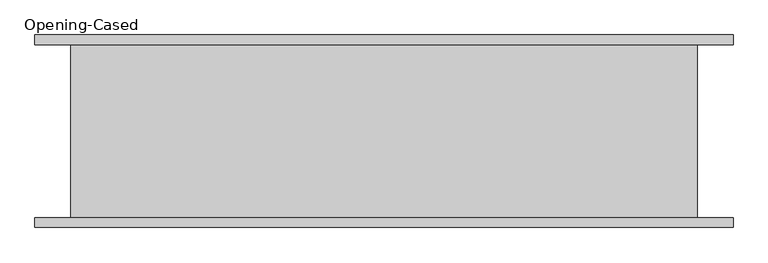
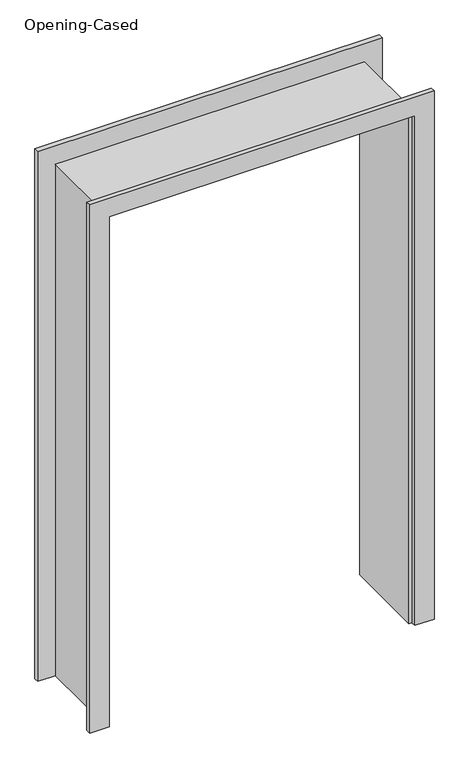
"""IFC4 building model written with IfcOpenShell, lengths in millimetres: proxy geometry, Opening-Cased."""

from ifc_helpers import new_model, si_unit, frame, origin, place, context, project, spatial, polyline, outline, extrude, faceted_brep, source, transform, mapped, element, save


def opening_cased_a57f8fbe(model_context):
    return source(origin(), model_context, "Body", "SolidModel", [
        extrude(outline(polyline([(0.0, -611.4386567), (2127.25, -611.4386567), (2127.25, 595.0613433), (0.0, 595.0613433), (0.0, 671.2613433), (2203.45, 671.2613433), (2203.45, -687.6386567), (0.0, -687.6386567), (0.0, -611.4386567)])), frame((0.0, -187.325, 0.0), z_axis=(0.0, 1.0, 0.0), x_axis=(0.0, 0.0, 1.0)), (0.0, 0.0, 1.0), 19.05),
        extrude(outline(polyline([(0.0, 671.2613433), (2209.8, 671.2613433), (2209.8, -687.6386567), (0.0, -687.6386567), (0.0, -611.4386567), (2127.25, -611.4386567), (2127.25, 595.0613433), (0.0, 595.0613433), (0.0, 671.2613433)])), frame((0.0, 168.275, 0.0), z_axis=(0.0, 1.0, 0.0), x_axis=(0.0, 0.0, 1.0)), (0.0, 0.0, 1.0), 19.05),
        faceted_brep([(582.3613433, 168.275, 0.0), (601.4113433, 168.275, 0.0), (601.4113433, -168.275, 0.0), (582.3613433, -168.275, 0.0), (582.3613433, 168.275, 2114.55), (601.4113433, 168.275, 2133.6), (601.4113433, -168.275, 2133.6), (582.3613433, -168.275, 2114.55), (-598.7386567, 168.275, 2114.55), (-617.7886567, 168.275, 2133.6), (-617.7886567, -168.275, 2133.6), (-598.7386567, -168.275, 2114.55), (-598.7386567, 168.275, 0.0), (-598.7386567, -168.275, 0.0), (-617.7886567, -168.275, 0.0), (-617.7886567, 168.275, 0.0)], [[[0, 1, 2, 3]], [[1, 0, 4, 5]], [[2, 1, 5, 6]], [[3, 2, 6, 7]], [[0, 3, 7, 4]], [[5, 4, 8, 9]], [[6, 5, 9, 10]], [[7, 6, 10, 11]], [[4, 7, 11, 8]], [[12, 13, 14, 15]], [[9, 8, 12, 15]], [[10, 9, 15, 14]], [[11, 10, 14, 13]], [[8, 11, 13, 12]]]),
    ])


if __name__ == "__main__":
    model = new_model("IFC4")
    model_context = context("Model", 3, world=origin())
    ifc_project = project(units=[si_unit("LENGTHUNIT", "METRE", prefix="MILLI")], contexts=[model_context])
    site = spatial("IfcSite", under=ifc_project)
    building = spatial("IfcBuilding", under=site)
    placement = place(None, origin())
    opening_cased_shape = opening_cased_a57f8fbe(model_context)
    element("IfcBuildingElementProxy", 1, Name="Opening-Cased", ObjectType="Opening-Cased", at=placement, inside=building, context=model_context, shape_type="MappedRepresentation", body=[
        mapped(opening_cased_shape, transform((0.0, 0.0, 0.0), x_axis=(1.0, 0.0, 0.0), y_axis=(0.0, 1.0, 0.0), z_axis=(0.0, 0.0, 1.0))),
    ])
    save(model, "model.ifc")
